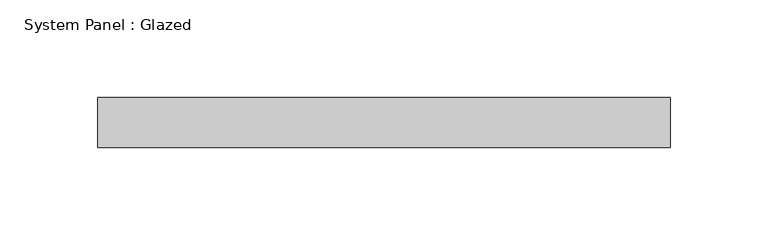
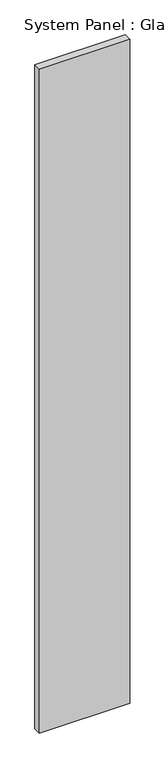
"""IFC4 building model written with IfcOpenShell, lengths in millimetres: plate geometry, System Panel : Glazed."""

from ifc_helpers import new_model, si_unit, origin, origin_with_axes, place, context, project, spatial, polyline, outline, extrude, source, transform, mapped, element, save


def system_panel_glazed_423573e9(model_context):
    return source(origin(), model_context, "Body", "SweptSolid", [
        extrude(outline(polyline([(146.0494513, 19.05), (-146.0494513, 19.05), (-146.0494513, 44.45), (146.0494513, 44.45), (146.0494513, 19.05)])), origin_with_axes(), (0.0, 0.0, 1.0), 2271.6164637),
    ])


if __name__ == "__main__":
    model = new_model("IFC4")
    model_context = context("Model", 3, world=origin())
    ifc_project = project(units=[si_unit("LENGTHUNIT", "METRE", prefix="MILLI")], contexts=[model_context])
    site = spatial("IfcSite", under=ifc_project)
    building = spatial("IfcBuilding", under=site)
    placement = place(None, origin())
    system_panel_glazed_shape = system_panel_glazed_423573e9(model_context)
    element("IfcPlate", 1, ObjectType="System Panel : Glazed", at=placement, inside=building, context=model_context, shape_type="MappedRepresentation", body=[
        mapped(system_panel_glazed_shape, transform((0.0, 0.0, 0.0), x_axis=(1.0, 0.0, 0.0), y_axis=(0.0, 1.0, 0.0), z_axis=(0.0, 0.0, 1.0))),
    ])
    save(model, "model.ifc")
